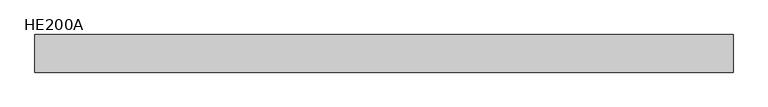
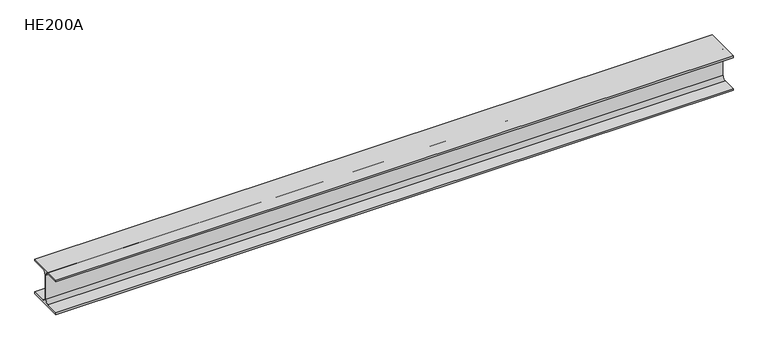
"""IFC4 building model written with IfcOpenShell, lengths in millimetres: beam geometry, HE200A."""

from ifc_helpers import new_model, si_unit, point, frame, frame_2d, origin, place, context, project, spatial, polyline, circle_curve, trimmed, segment, composite_curve, outline, extrude, source, transform, mapped, element, save


def he200a_6c814988(model_context):
    return source(origin(), model_context, "Body", "SweptSolid", [
        extrude(outline(composite_curve([segment(polyline([(100.0, -90.0), (100.0, -100.0), (-100.0, -100.0), (-100.0, -90.0), (-24.0, -90.0)]), True, "CONTINUOUS"), segment(trimmed(circle_curve(frame_2d((-24.0, -70.0)), 20.0), [point((-24.0, -90.0))], [point((-4.0, -70.0))], True, "CARTESIAN"), True, "CONTINUOUS"), segment(polyline([(-4.0, -70.0), (-4.0, 70.0)]), True, "CONTINUOUS"), segment(trimmed(circle_curve(frame_2d((-24.0, 70.0)), 20.0), [point((-4.0, 70.0))], [point((-24.0, 90.0))], True, "CARTESIAN"), True, "CONTINUOUS"), segment(polyline([(-24.0, 90.0), (-100.0, 90.0), (-100.0, 100.0), (100.0, 100.0), (100.0, 90.0), (24.0, 90.0)]), True, "CONTINUOUS"), segment(trimmed(circle_curve(frame_2d((24.0, 70.0)), 20.0), [point((24.0, 90.0))], [point((4.0, 70.0))], True, "CARTESIAN"), True, "CONTINUOUS"), segment(polyline([(4.0, 70.0), (4.0, -70.0)]), True, "CONTINUOUS"), segment(trimmed(circle_curve(frame_2d((24.0, -70.0)), 20.0), [point((4.0, -70.0))], [point((24.0, -90.0))], True, "CARTESIAN"), True, "CONTINUOUS"), segment(polyline([(24.0, -90.0), (100.0, -90.0)]), True, "CONTINUOUS")], self_intersect=False)), frame((-1906.0, 0.0, 0.0), z_axis=(1.0, 0.0, 0.0), x_axis=(0.0, 1.0, 0.0)), (0.0, 0.0, 1.0), 3708.0),
    ])


if __name__ == "__main__":
    model = new_model("IFC4")
    model_context = context("Model", 3, world=origin())
    ifc_project = project(units=[si_unit("LENGTHUNIT", "METRE", prefix="MILLI")], contexts=[model_context])
    site = spatial("IfcSite", under=ifc_project)
    building = spatial("IfcBuilding", under=site)
    placement = place(None, origin())
    he200a_shape = he200a_6c814988(model_context)
    element("IfcBeam", 1, ObjectType="HE200A", at=placement, inside=building, context=model_context, shape_type="MappedRepresentation", body=[
        mapped(he200a_shape, transform((0.0, 0.0, 0.0), x_axis=(1.0, 0.0, 0.0), y_axis=(0.0, 1.0, 0.0), z_axis=(0.0, 0.0, 1.0))),
    ])
    save(model, "model.ifc")
